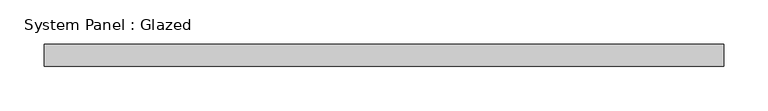
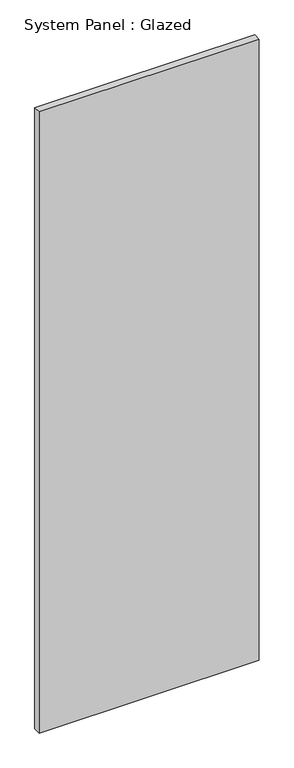
"""IFC4 building model written with IfcOpenShell, lengths in millimetres: plate geometry, System Panel : Glazed."""

from ifc_helpers import new_model, si_unit, origin, origin_with_axes, place, context, project, spatial, polyline, outline, extrude, source, transform, mapped, element, save


def system_panel_glazed_4dab6c69(model_context):
    return source(origin(), model_context, "Body", "SweptSolid", [
        extrude(outline(polyline([(385.5, -49.5), (-385.5, -49.5), (-385.5, -24.5), (385.5, -24.5), (385.5, -49.5)])), origin_with_axes(), (0.0, 0.0, 1.0), 2300.0),
    ])


if __name__ == "__main__":
    model = new_model("IFC4")
    model_context = context("Model", 3, world=origin())
    ifc_project = project(units=[si_unit("LENGTHUNIT", "METRE", prefix="MILLI")], contexts=[model_context])
    site = spatial("IfcSite", under=ifc_project)
    building = spatial("IfcBuilding", under=site)
    placement = place(None, origin())
    system_panel_glazed_shape = system_panel_glazed_4dab6c69(model_context)
    element("IfcPlate", 1, ObjectType="System Panel : Glazed", at=placement, inside=building, context=model_context, shape_type="MappedRepresentation", body=[
        mapped(system_panel_glazed_shape, transform((0.0, 0.0, 0.0), x_axis=(1.0, 0.0, 0.0), y_axis=(0.0, 1.0, 0.0), z_axis=(0.0, 0.0, 1.0))),
    ])
    save(model, "model.ifc")
